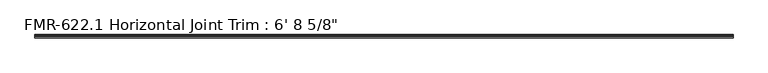
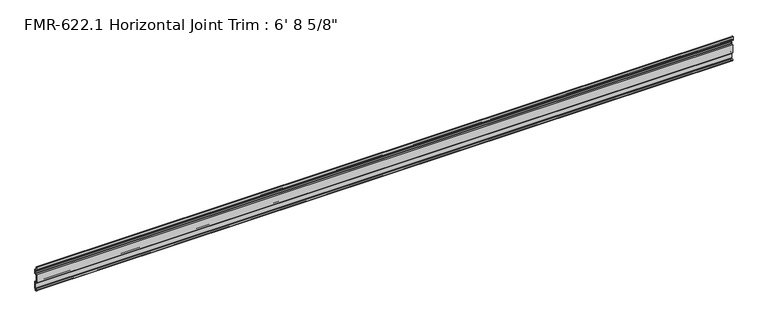
"""IFC4 building model written with IfcOpenShell, lengths in millimetres: proxy geometry."""

from ifc_helpers import new_model, si_unit, point, frame, frame_2d, origin, place, context, project, spatial, polyline, circle_curve, trimmed, segment, composite_curve, outline, extrude, source, transform, mapped, element, save


def proxy_21540727(model_context):
    return source(origin(), model_context, "Body", "SweptSolid", [
        extrude(outline(composite_curve([segment(trimmed(circle_curve(frame_2d((-1353.0157858, 119.3876142)), 1.6162393), [point((-1354.2084623, 120.4783719))], [point((-1351.8870931, 120.5444557))], False, "CARTESIAN"), True, "CONTINUOUS"), segment(polyline([(-1351.8870931, 120.5444557), (-1350.0782939, 109.9810687), (-1347.8584623, 109.9810687)]), True, "CONTINUOUS"), segment(trimmed(circle_curve(frame_2d((-1347.8584623, 106.8060687)), 3.175), [point((-1347.8584623, 109.9810687))], [point((-1344.6834623, 106.8060687))], False, "CARTESIAN"), True, "CONTINUOUS"), segment(polyline([(-1344.6834623, 106.8060687), (-1344.6834623, 95.6934827)]), True, "CONTINUOUS"), segment(trimmed(circle_curve(frame_2d((-1346.2709623, 95.6934827)), 1.5875), [point((-1344.6834623, 95.6934827))], [point((-1346.2709623, 94.1059827))], False, "CARTESIAN"), True, "CONTINUOUS"), segment(polyline([(-1346.2709623, 94.1059827), (-1350.09784, 94.1059827)]), True, "CONTINUOUS"), segment(trimmed(circle_curve(frame_2d((-1350.09784, 92.5184827)), 1.5875), [point((-1350.09784, 94.1059827))], [point((-1351.68534, 92.5184827))], True, "CARTESIAN"), True, "CONTINUOUS"), segment(polyline([(-1351.68534, 92.5184827), (-1351.68534, 73.4684827)]), True, "CONTINUOUS"), segment(trimmed(circle_curve(frame_2d((-1350.09784, 73.4684827)), 1.5875), [point((-1351.68534, 73.4684827))], [point((-1350.09784, 71.8809827))], True, "CARTESIAN"), True, "CONTINUOUS"), segment(polyline([(-1350.09784, 71.8809827), (-1346.2709623, 71.8809827)]), True, "CONTINUOUS"), segment(trimmed(circle_curve(frame_2d((-1346.2709623, 70.2934827)), 1.5875), [point((-1346.2709623, 71.8809827))], [point((-1344.6834623, 70.2934827))], False, "CARTESIAN"), True, "CONTINUOUS"), segment(polyline([(-1344.6834623, 70.2934827), (-1344.6834623, 49.2119202)]), True, "CONTINUOUS"), segment(trimmed(circle_curve(frame_2d((-1346.2709623, 49.2119202)), 1.5875), [point((-1344.6834623, 49.2119202))], [point((-1345.9653609, 47.6541127))], False, "CARTESIAN"), True, "CONTINUOUS"), segment(polyline([(-1345.9653609, 47.6541127), (-1346.8740295, 47.6239835)]), True, "CONTINUOUS"), segment(trimmed(circle_curve(frame_2d((-1346.8476831, 46.8294002)), 0.79502), [point((-1346.8740295, 47.6239835))], [point((-1347.6427031, 46.8294002))], True, "CARTESIAN"), True, "CONTINUOUS"), segment(polyline([(-1347.6427031, 46.8294002), (-1347.6427031, 44.472332)]), True, "CONTINUOUS"), segment(trimmed(circle_curve(frame_2d((-1348.0271354, 44.3473912)), 0.4042256), [point((-1347.6427031, 44.472332))], [point((-1348.3275534, 44.0769335))], False, "CARTESIAN"), True, "CONTINUOUS"), segment(polyline([(-1348.3275534, 44.0769335), (-1350.1575722, 44.6481033)]), True, "CONTINUOUS"), segment(trimmed(circle_curve(frame_2d((-1349.2494601, 47.55768)), 3.048), [point((-1350.1575722, 44.6481033))], [point((-1351.8514109, 45.97018))], False, "CARTESIAN"), True, "CONTINUOUS"), segment(trimmed(circle_curve(frame_2d((-1349.2494601, 47.55768)), 3.048), [point((-1351.8514109, 45.97018))], [point((-1350.1575722, 50.4672566))], False, "CARTESIAN"), True, "CONTINUOUS"), segment(polyline([(-1350.1575722, 50.4672566), (-1348.2908774, 51.0498734)]), True, "CONTINUOUS"), segment(trimmed(circle_curve(frame_2d((-1348.0152005, 50.7595027)), 0.4003909), [point((-1348.2908774, 51.0498734))], [point((-1347.6427031, 50.6126743))], False, "CARTESIAN"), True, "CONTINUOUS"), segment(polyline([(-1347.6427031, 50.6126743), (-1347.5591209, 49.8174428)]), True, "CONTINUOUS"), segment(trimmed(circle_curve(frame_2d((-1346.8807031, 50.1644202)), 0.762), [point((-1347.5591209, 49.8174428))], [point((-1346.8600243, 49.4027008))], True, "CARTESIAN"), True, "CONTINUOUS"), segment(trimmed(circle_curve(frame_2d((-1346.8431409, 49.9104202)), 0.5080001), [point((-1346.8600243, 49.4027008))], [point((-1346.3351408, 49.9104202))], True, "CARTESIAN"), True, "CONTINUOUS"), segment(polyline([(-1346.3351408, 49.9104202), (-1346.3351409, 63.5949308), (-1345.8259771, 64.2236958), (-1345.8259771, 66.1411657), (-1346.3351409, 66.7699308), (-1346.3351409, 69.4984627)]), True, "CONTINUOUS"), segment(trimmed(circle_curve(frame_2d((-1347.1301609, 69.4984627)), 0.79502), [point((-1346.3351409, 69.4984627))], [point((-1347.1301609, 70.2934827))], True, "CARTESIAN"), True, "CONTINUOUS"), segment(polyline([(-1347.1301609, 70.2934827), (-1353.27284, 70.2934827), (-1353.27284, 95.6934827), (-1347.0659823, 95.6934827)]), True, "CONTINUOUS"), segment(trimmed(circle_curve(frame_2d((-1347.0659823, 96.4885027)), 0.79502), [point((-1347.0659823, 95.6934827))], [point((-1346.2709623, 96.4885027))], True, "CARTESIAN"), True, "CONTINUOUS"), segment(polyline([(-1346.2709623, 96.4885027), (-1346.2709623, 100.34378), (-1345.7617984, 100.99548), (-1345.7617984, 102.9119821), (-1346.2709623, 103.51878), (-1346.2709623, 106.8060687)]), True, "CONTINUOUS"), segment(trimmed(circle_curve(frame_2d((-1347.8584623, 106.8060687)), 1.5875), [point((-1346.2709623, 106.8060687))], [point((-1347.8584623, 108.3935687))], True, "CARTESIAN"), True, "CONTINUOUS"), segment(polyline([(-1347.8584623, 108.3935687), (-1351.0334623, 108.3935687)]), True, "CONTINUOUS"), segment(trimmed(circle_curve(frame_2d((-1351.0334623, 111.5685687)), 3.175), [point((-1351.0334623, 108.3935687))], [point((-1354.2084623, 111.5685687))], False, "CARTESIAN"), True, "CONTINUOUS"), segment(polyline([(-1354.2084623, 111.5685687), (-1354.2084623, 120.4783719)]), True, "CONTINUOUS")], self_intersect=False)), frame((-385.5414986, 0.0, 0.0), z_axis=(1.0, 0.0, 0.0), x_axis=(0.0, 1.0, 0.0)), (0.0, 0.0, 1.0), 2047.875),
    ])


if __name__ == "__main__":
    model = new_model("IFC4")
    model_context = context("Model", 3, world=origin())
    ifc_project = project(units=[si_unit("LENGTHUNIT", "METRE", prefix="MILLI")], contexts=[model_context])
    site = spatial("IfcSite", under=ifc_project)
    building = spatial("IfcBuilding", under=site)
    placement = place(None, origin())
    proxy_shape = proxy_21540727(model_context)
    element("IfcBuildingElementProxy", 1, Name="FMR-622.1 Horizontal Joint Trim : 6' 8 5/8\"", ObjectType="FMR-622.1 Horizontal Joint Trim : 6' 8 5/8\"", at=placement, inside=building, context=model_context, shape_type="MappedRepresentation", body=[
        mapped(proxy_shape, transform((0.0, 0.0, 0.0), x_axis=(1.0, 0.0, 0.0), y_axis=(0.0, 1.0, 0.0), z_axis=(0.0, 0.0, 1.0))),
    ])
    save(model, "model.ifc")
